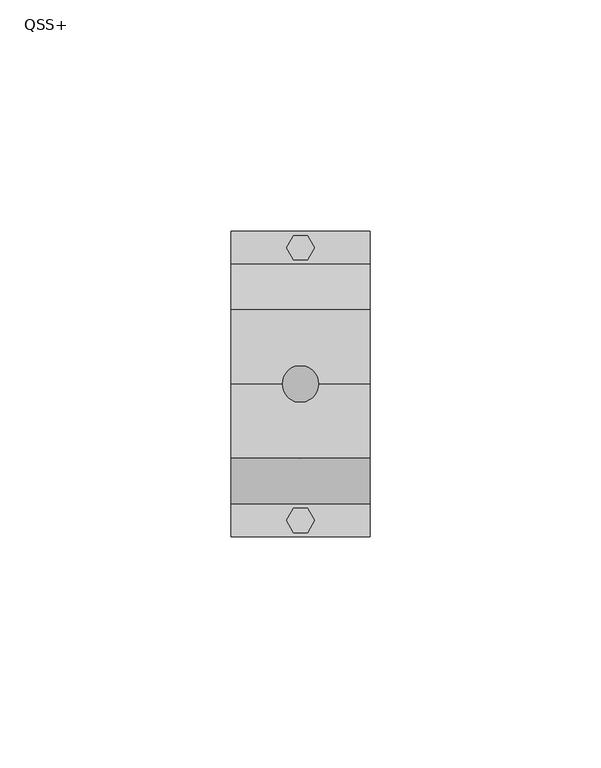
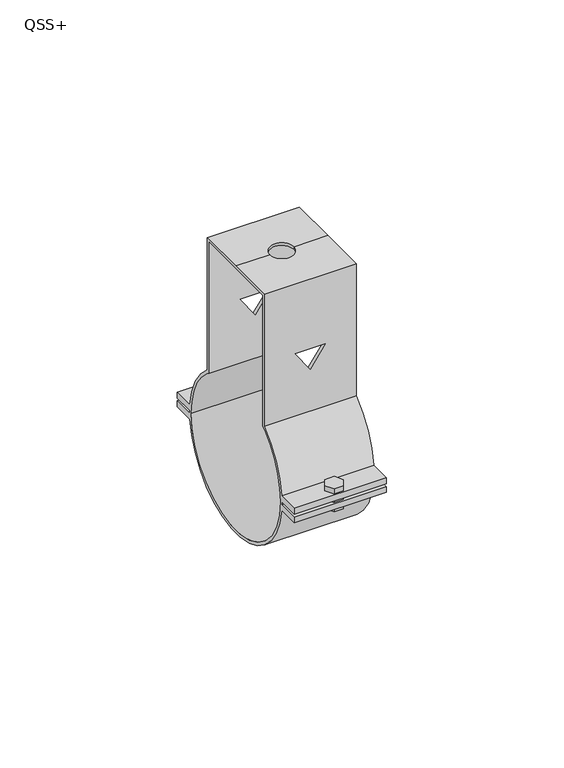
"""IFC4 building model written with IfcOpenShell, lengths in millimetres: proxy geometry, QSS+."""

from ifc_helpers import new_model, si_unit, frame, origin, place, context, project, spatial, polyline, circle_curve, outline, extrude, source, transform, mapped, element, save
from ifc_brep_helpers import plane_surface, cylinder_surface, revolved_surface, advanced_brep


def qss_5ca3bf88(model_context):
    return source(origin(), model_context, "Body", "SolidModel", [
        extrude(outline(polyline([(1.5, 32.0980762), (3.0, 29.5), (1.5, 26.9019238), (-1.5, 26.9019238), (-3.0, 29.5), (-1.5, 32.0980762), (1.5, 32.0980762)])), frame((0.0, 0.0, -4.0), z_axis=(0.0, 0.0, 1.0), x_axis=(1.0, 0.0, 0.0)), (0.0, 0.0, 1.0), 8.0),
        extrude(outline(polyline([(1.5, -32.0980762), (-1.5, -32.0980762), (-3.0, -29.5), (-1.5, -26.9019238), (1.5, -26.9019238), (3.0, -29.5), (1.5, -32.0980762)])), frame((0.0, 0.0, -4.0), z_axis=(0.0, 0.0, 1.0), x_axis=(1.0, 0.0, 0.0)), (0.0, 0.0, 1.0), 8.0),
        advanced_brep(
        [(-15.0, -16.0, 66.0), (-15.0, 0.0, 66.0), (-15.0, 16.0, 66.0), (-15.0, 16.0, 20.4939015), (-15.0, 25.8827212, 2.4667277), (-15.0, 33.0, 2.4667277), (-15.0, 33.0, 0.4667277), (-15.0, 25.9958105, 0.4667277), (-15.0, 26.0, 0.0), (-15.0, 25.9958105, -0.4667277), (-15.0, 33.0, -0.4667277), (-15.0, 33.0, -2.4667277), (-15.0, 25.8827212, -2.4667277), (-15.0, -25.8790899, -2.5045372), (-15.0, -33.0, -2.5045372), (-15.0, -33.0, -0.5045372), (-15.0, -25.9951042, -0.5045372), (-15.0, -26.0, 0.0), (-15.0, -25.9951042, 0.5045372), (-15.0, -33.0, 0.5045372), (-15.0, -33.0, 2.5045372), (-15.0, -25.8790899, 2.5045372), (-15.0, -16.0, 20.4939015), (-15.0, 14.9730976, 65.0081289), (-15.0, 0.0, 65.0081289), (-15.0, -14.9730976, 65.0081289), (-15.0, -14.9730976, 20.0201485), (-15.0, -16.0, 19.2093727), (-15.0, -25.0, 0.0), (-15.0, 25.0, 0.0), (-15.0, 16.0, 19.2093727), (-15.0, 14.9730976, 20.0201485), (15.0, 16.0, 66.0), (15.0, 0.0, 66.0), (15.0, -16.0, 66.0), (15.0, -16.0, 20.4939015), (15.0, -25.8790899, 2.5045372), (15.0, -33.0, 2.5045372), (15.0, -33.0, 0.5045372), (15.0, -25.9951042, 0.5045372), (15.0, -26.0, 0.0), (15.0, -25.9951042, -0.5045372), (15.0, -33.0, -0.5045372), (15.0, -33.0, -2.5045372), (15.0, -25.8790899, -2.5045372), (15.0, 25.8827212, -2.4667277), (15.0, 33.0, -2.4667277), (15.0, 33.0, -0.4667277), (15.0, 25.9958105, -0.4667277), (15.0, 26.0, 0.0), (15.0, 25.9958105, 0.4667277), (15.0, 33.0, 0.4667277), (15.0, 33.0, 2.4667277), (15.0, 25.8827212, 2.4667277), (15.0, 16.0, 20.4939015), (15.0, -14.9730976, 65.0081289), (15.0, 0.0, 65.0081289), (15.0, 14.9730976, 65.0081289), (15.0, 14.9730976, 20.0201485), (15.0, 16.0, 19.2093727), (15.0, 25.0, 0.0), (15.0, -25.0, 0.0), (15.0, -16.0, 19.2093727), (15.0, -14.9730976, 20.0201485), (-4.0, 0.0, 66.0), (4.0, 0.0, 66.0), (0.0, -16.0, 41.8826485), (4.9139468, -16.0, 41.8826485), (0.0, -16.0, 34.8648052), (-4.9139468, -16.0, 41.8826485), (4.9139468, -14.9730976, 41.8826485), (0.0, -14.9730976, 41.8826485), (-4.9139468, -14.9730976, 41.8826485), (0.0, -14.9730976, 34.8648052), (-4.0, 0.0, 65.0081289), (4.0, 0.0, 65.0081289), (0.0, 14.9730976, 41.8826485), (4.9139468, 14.9730976, 41.8826485), (0.0, 14.9730976, 34.8648052), (-4.9139468, 14.9730976, 41.8826485), (4.9139468, 16.0, 41.8826485), (0.0, 16.0, 41.8826485), (-4.9139468, 16.0, 41.8826485), (0.0, 16.0, 34.8648052)],
        [
            (0, 1),
            (1, 2),
            (2, 3),
            (3, 4, circle_curve(frame((-15.0, 0.0, 0.0), z_axis=(-1.0, 0.0, 0.0), x_axis=(0.0, 1.0, 0.0)), 26.0)),
            (4, 5),
            (5, 6),
            (6, 7),
            (7, 8, circle_curve(frame((-15.0, 0.0, 0.0), z_axis=(-1.0, 0.0, 0.0), x_axis=(0.0, 1.0, 0.0)), 26.0)),
            (8, 9, circle_curve(frame((-15.0, 0.0, 0.0), z_axis=(-1.0, 0.0, 0.0), x_axis=(0.0, 1.0, 0.0)), 26.0)),
            (9, 10),
            (10, 11),
            (11, 12),
            (12, 13, circle_curve(frame((-15.0, 0.0, 0.0), z_axis=(-1.0, 0.0, 0.0), x_axis=(0.0, 1.0, 0.0)), 26.0)),
            (13, 14),
            (14, 15),
            (15, 16),
            (16, 17, circle_curve(frame((-15.0, 0.0, 0.0), z_axis=(-1.0, 0.0, 0.0), x_axis=(0.0, 1.0, 0.0)), 26.0)),
            (17, 18, circle_curve(frame((-15.0, 0.0, 0.0), z_axis=(-1.0, 0.0, 0.0), x_axis=(0.0, 1.0, 0.0)), 26.0)),
            (18, 19),
            (19, 20),
            (20, 21),
            (21, 22, circle_curve(frame((-15.0, 0.0, 0.0), z_axis=(-1.0, 0.0, 0.0), x_axis=(0.0, 1.0, 0.0)), 26.0)),
            (22, 0),
            (23, 24),
            (24, 25),
            (25, 26),
            (26, 27, circle_curve(frame((-15.0, 0.0, 0.0), z_axis=(1.0, 0.0, 0.0), x_axis=(0.0, 1.0, 0.0)), 25.0)),
            (27, 28, circle_curve(frame((-15.0, 0.0, 0.0), z_axis=(1.0, 0.0, 0.0), x_axis=(0.0, 1.0, 0.0)), 25.0)),
            (28, 29, circle_curve(frame((-15.0, 0.0, 0.0), z_axis=(1.0, 0.0, 0.0), x_axis=(0.0, 1.0, 0.0)), 25.0)),
            (29, 30, circle_curve(frame((-15.0, 0.0, 0.0), z_axis=(1.0, 0.0, 0.0), x_axis=(0.0, 1.0, 0.0)), 25.0)),
            (30, 31, circle_curve(frame((-15.0, 0.0, 0.0), z_axis=(1.0, 0.0, 0.0), x_axis=(0.0, 1.0, 0.0)), 25.0)),
            (31, 23),
            (32, 33),
            (33, 34),
            (34, 35),
            (35, 36, circle_curve(frame((15.0, 0.0, 0.0), z_axis=(1.0, 0.0, 0.0), x_axis=(0.0, 1.0, 0.0)), 26.0)),
            (36, 37),
            (37, 38),
            (38, 39),
            (39, 40, circle_curve(frame((15.0, 0.0, 0.0), z_axis=(1.0, 0.0, 0.0), x_axis=(0.0, 1.0, 0.0)), 26.0)),
            (40, 41, circle_curve(frame((15.0, 0.0, 0.0), z_axis=(1.0, 0.0, 0.0), x_axis=(0.0, 1.0, 0.0)), 26.0)),
            (41, 42),
            (42, 43),
            (43, 44),
            (44, 45, circle_curve(frame((15.0, 0.0, 0.0), z_axis=(1.0, 0.0, 0.0), x_axis=(0.0, 1.0, 0.0)), 26.0)),
            (45, 46),
            (46, 47),
            (47, 48),
            (48, 49, circle_curve(frame((15.0, 0.0, 0.0), z_axis=(1.0, 0.0, 0.0), x_axis=(0.0, 1.0, 0.0)), 26.0)),
            (49, 50, circle_curve(frame((15.0, 0.0, 0.0), z_axis=(1.0, 0.0, 0.0), x_axis=(0.0, 1.0, 0.0)), 26.0)),
            (50, 51),
            (51, 52),
            (52, 53),
            (53, 54, circle_curve(frame((15.0, 0.0, 0.0), z_axis=(1.0, 0.0, 0.0), x_axis=(0.0, 1.0, 0.0)), 26.0)),
            (54, 32),
            (55, 56),
            (56, 57),
            (57, 58),
            (58, 59, circle_curve(frame((15.0, 0.0, 0.0), z_axis=(-1.0, 0.0, 0.0), x_axis=(0.0, 1.0, 0.0)), 25.0)),
            (59, 60, circle_curve(frame((15.0, 0.0, 0.0), z_axis=(-1.0, 0.0, 0.0), x_axis=(0.0, 1.0, 0.0)), 25.0)),
            (60, 61, circle_curve(frame((15.0, 0.0, 0.0), z_axis=(-1.0, 0.0, 0.0), x_axis=(0.0, 1.0, 0.0)), 25.0)),
            (61, 62, circle_curve(frame((15.0, 0.0, 0.0), z_axis=(-1.0, 0.0, 0.0), x_axis=(0.0, 1.0, 0.0)), 25.0)),
            (62, 63, circle_curve(frame((15.0, 0.0, 0.0), z_axis=(-1.0, 0.0, 0.0), x_axis=(0.0, 1.0, 0.0)), 25.0)),
            (63, 55),
            (1, 64),
            (64, 65, circle_curve(frame((0.0, 0.0, 66.0), z_axis=(0.0, 0.0, -1.0), x_axis=(1.0, 0.0, 0.0)), 4.0)),
            (65, 33),
            (32, 2),
            (0, 34),
            (65, 64, circle_curve(frame((0.0, 0.0, 66.0), z_axis=(0.0, 0.0, -1.0), x_axis=(1.0, 0.0, 0.0)), 4.0)),
            (22, 35),
            (66, 67),
            (67, 68),
            (68, 69),
            (69, 66),
            (25, 55),
            (63, 26),
            (70, 71),
            (71, 72),
            (72, 73),
            (73, 70),
            (24, 74),
            (74, 75, circle_curve(frame((0.0, 0.0, 65.0081289), z_axis=(0.0, 0.0, 1.0), x_axis=(1.0, 0.0, 0.0)), 4.0)),
            (75, 56),
            (23, 57),
            (75, 74, circle_curve(frame((0.0, 0.0, 65.0081289), z_axis=(0.0, 0.0, 1.0), x_axis=(1.0, 0.0, 0.0)), 4.0)),
            (31, 58),
            (76, 77),
            (77, 78),
            (78, 79),
            (79, 76),
            (54, 3),
            (80, 81),
            (81, 82),
            (82, 83),
            (83, 80),
            (61, 28),
            (27, 62),
            (29, 60),
            (59, 30),
            (40, 17),
            (16, 41),
            (8, 49),
            (48, 9),
            (12, 45),
            (44, 13),
            (21, 36),
            (53, 4),
            (39, 18),
            (7, 50),
            (6, 51),
            (5, 52),
            (11, 46),
            (10, 47),
            (38, 19),
            (37, 20),
            (43, 14),
            (42, 15),
            (70, 67),
            (66, 71),
            (80, 77),
            (76, 81),
            (69, 72),
            (79, 82),
            (68, 73),
            (78, 83),
            (65, 75),
            (74, 64),
        ],
        [
            plane_surface(frame((-15.0, 16.0, 66.0), z_axis=(-1.0, 0.0, 0.0), x_axis=(0.0, 1.0, 0.0))),
            plane_surface(frame((15.0, 16.0, 66.0), z_axis=(1.0, 0.0, 0.0), x_axis=(0.0, -1.0, 0.0))),
            plane_surface(frame((15.0, 16.0, 66.0), z_axis=(0.0, 0.0, 1.0), x_axis=(-1.0, 0.0, 0.0))),
            plane_surface(frame((15.0, 0.0, 66.0), z_axis=(0.0, 0.0, 1.0), x_axis=(-1.0, 0.0, 0.0))),
            plane_surface(frame((15.0, -16.0, 66.0), z_axis=(0.0, -1.0, 0.0), x_axis=(-1.0, 0.0, 0.0))),
            plane_surface(frame((15.0, -14.9730976, 0.0), z_axis=(0.0, 1.0, 0.0), x_axis=(-1.0, 0.0, 0.0))),
            plane_surface(frame((15.0, -14.9730976, 65.0081289), z_axis=(0.0, 0.0, -1.0), x_axis=(-1.0, 0.0, 0.0))),
            plane_surface(frame((15.0, 0.0, 65.0081289), z_axis=(0.0, 0.0, -1.0), x_axis=(-1.0, 0.0, 0.0))),
            plane_surface(frame((15.0, 14.9730976, 65.0081289), z_axis=(0.0, -1.0, 0.0), x_axis=(-1.0, 0.0, 0.0))),
            plane_surface(frame((15.0, 16.0, 0.0), z_axis=(0.0, 1.0, 0.0), x_axis=(-1.0, 0.0, 0.0))),
            revolved_surface(polyline([(-15.0, 25.0, 0.0), (15.0, 25.0, 0.0)]), (-15.0, 0.0, 0.0), (-1.0, 0.0, 0.0)),
            cylinder_surface(frame((0.0, 0.0, 0.0), z_axis=(1.0, 0.0, 0.0), x_axis=(0.0, 1.0, 0.0)), 26.0),
            revolved_surface(polyline([(15.0, 25.0, 0.0), (-15.0, 25.0, 0.0)]), (-15.0, 0.0, 0.0), (1.0, 0.0, 0.0)),
            plane_surface(frame((15.0, 25.2591075, 0.4667277), z_axis=(0.0, 0.0, -1.0), x_axis=(-1.0, 0.0, 0.0))),
            plane_surface(frame((15.0, 33.0, 0.4667277), z_axis=(0.0, 1.0, 0.0), x_axis=(-1.0, 0.0, 0.0))),
            plane_surface(frame((15.0, 33.0, 2.4667277), z_axis=(0.0, 0.0, 1.0), x_axis=(-1.0, 0.0, 0.0))),
            plane_surface(frame((15.0, 25.2591075, -2.4667277), z_axis=(0.0, 0.0, -1.0), x_axis=(-1.0, 0.0, 0.0))),
            plane_surface(frame((15.0, 33.0, -2.4667277), z_axis=(0.0, 1.0, 0.0), x_axis=(-1.0, 0.0, 0.0))),
            plane_surface(frame((15.0, 33.0, -0.4667277), z_axis=(0.0, 0.0, 1.0), x_axis=(-1.0, 0.0, 0.0))),
            plane_surface(frame((15.0, -33.0, 0.5045372), z_axis=(0.0, 0.0, -1.0), x_axis=(-1.0, 0.0, 0.0))),
            plane_surface(frame((15.0, -33.0, 2.5045372), z_axis=(0.0, -1.0, 0.0), x_axis=(-1.0, 0.0, 0.0))),
            plane_surface(frame((15.0, -25.2591075, 2.5045372), z_axis=(0.0, 0.0, 1.0), x_axis=(-1.0, 0.0, 0.0))),
            plane_surface(frame((15.0, -33.0, -2.5045372), z_axis=(0.0, 0.0, -1.0), x_axis=(-1.0, 0.0, 0.0))),
            plane_surface(frame((15.0, -33.0, -0.5045372), z_axis=(0.0, -1.0, 0.0), x_axis=(-1.0, 0.0, 0.0))),
            plane_surface(frame((15.0, -25.2591075, -0.5045372), z_axis=(0.0, 0.0, 1.0), x_axis=(-1.0, 0.0, 0.0))),
            plane_surface(frame((4.9139468, -23.1577597, 41.8826485), z_axis=(0.0, 0.0, -1.0), x_axis=(0.0, 1.0, 0.0))),
            plane_surface(frame((0.0, -23.1577597, 41.8826485), z_axis=(0.0, 0.0, -1.0), x_axis=(0.0, 1.0, 0.0))),
            plane_surface(frame((-4.9139468, -23.1577597, 41.8826485), z_axis=(0.8191520442889921, 0.0, 0.5735764363510457), x_axis=(0.0, 1.0, 0.0))),
            plane_surface(frame((0.0, -23.1577597, 34.8648052), z_axis=(-0.8191520442889922, 0.0, 0.5735764363510454), x_axis=(0.0, 1.0, 0.0))),
            revolved_surface(polyline([(4.0, 0.0, 66.0), (4.0, 0.0, 65.0081289)]), (0.0, 0.0, 65.0081289), (0.0, 0.0, 1.0)),
        ],
        [
            (0, [[1, 2, 3, 4, 5, 6, 7, 8, 9, 10, 11, 12, 13, 14, 15, 16, 17, 18, 19, 20, 21, 22, 23], [24, 25, 26, 27, 28, 29, 30, 31, 32]]),
            (1, [[33, 34, 35, 36, 37, 38, 39, 40, 41, 42, 43, 44, 45, 46, 47, 48, 49, 50, 51, 52, 53, 54, 55], [56, 57, 58, 59, 60, 61, 62, 63, 64]]),
            (2, [[-2, 65, 66, 67, -33, 68]]),
            (3, [[-1, 69, -34, -67, 70, -65]]),
            (4, [[-69, -23, 71, -35], [72, 73, 74, 75]]),
            (5, [[76, -64, 77, -26], [78, 79, 80, 81]]),
            (6, [[-25, 82, 83, 84, -56, -76]]),
            (7, [[-24, 85, -57, -84, 86, -82]]),
            (8, [[-85, -32, 87, -58], [88, 89, 90, 91]]),
            (9, [[-68, -55, 92, -3], [93, 94, 95, 96]]),
            (10, [[97, -28, 98, -62]]),
            (10, [[99, -60, 100, -30]]),
            (10, [[-29, -97, -61, -99]]),
            (11, [[101, -17, 102, -41]]),
            (11, [[103, -49, 104, -9]]),
            (11, [[105, -45, 106, -13]]),
            (11, [[-71, -22, 107, -36]]),
            (11, [[-92, -54, 108, -4]]),
            (11, [[-101, -40, 109, -18]]),
            (11, [[-103, -8, 110, -50]]),
            (12, [[-27, -77, -63, -98]]),
            (12, [[-31, -100, -59, -87]]),
            (13, [[111, -51, -110, -7]]),
            (14, [[-52, -111, -6, 112]]),
            (15, [[-112, -5, -108, -53]]),
            (16, [[113, -46, -105, -12]]),
            (17, [[-47, -113, -11, 114]]),
            (18, [[-114, -10, -104, -48]]),
            (19, [[115, -19, -109, -39]]),
            (20, [[-38, 116, -20, -115]]),
            (21, [[-116, -37, -107, -21]]),
            (22, [[117, -14, -106, -44]]),
            (23, [[-43, 118, -15, -117]]),
            (24, [[-118, -42, -102, -16]]),
            (25, [[119, -72, 120, -78]]),
            (25, [[121, -88, 122, -93]]),
            (26, [[-120, -75, 123, -79]]),
            (26, [[-122, -91, 124, -94]]),
            (27, [[-123, -74, 125, -80]]),
            (27, [[-124, -90, 126, -95]]),
            (28, [[-119, -81, -125, -73]]),
            (28, [[-121, -96, -126, -89]]),
            (29, [[127, -83, 128, -70]]),
            (29, [[-127, -66, -128, -86]]),
        ],
    ),
    ])


if __name__ == "__main__":
    model = new_model("IFC4")
    model_context = context("Model", 3, world=origin())
    ifc_project = project(units=[si_unit("LENGTHUNIT", "METRE", prefix="MILLI")], contexts=[model_context])
    site = spatial("IfcSite", under=ifc_project)
    building = spatial("IfcBuilding", under=site)
    placement = place(None, origin())
    qss_shape = qss_5ca3bf88(model_context)
    element("IfcBuildingElementProxy", 1, Name="QSS+", ObjectType="QSS+", at=placement, inside=building, context=model_context, shape_type="MappedRepresentation", body=[
        mapped(qss_shape, transform((0.0, 0.0, 0.0), x_axis=(1.0, 0.0, 0.0), y_axis=(0.0, 1.0, 0.0), z_axis=(0.0, 0.0, 1.0))),
    ])
    save(model, "model.ifc")
